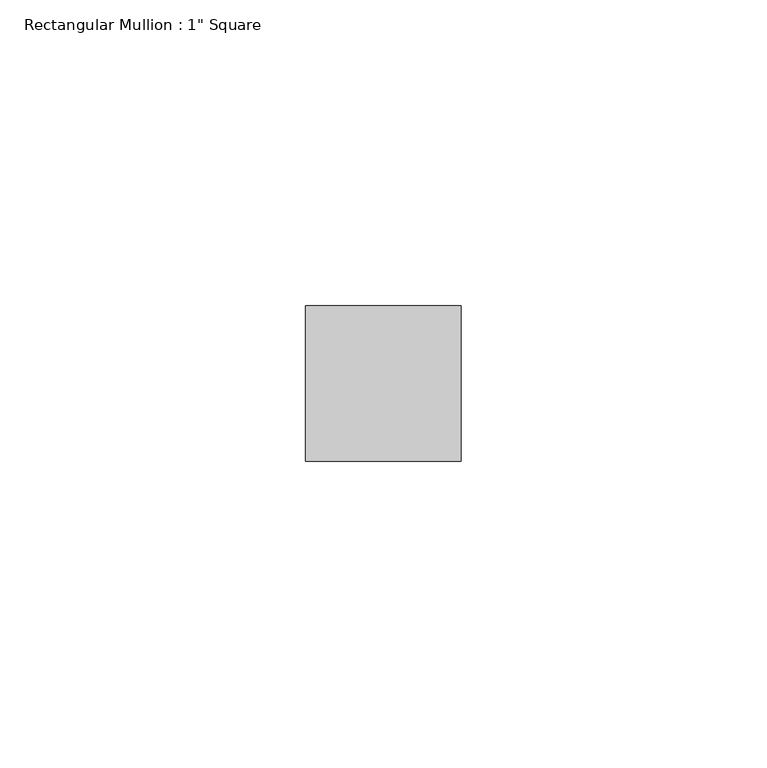
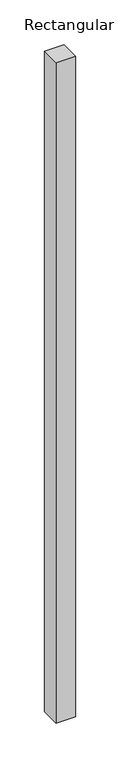
"""IFC4 building model written with IfcOpenShell, lengths in millimetres: member geometry."""

from ifc_helpers import new_model, si_unit, frame, origin, place, context, project, spatial, polyline, outline, extrude, source, transform, mapped, element, save


def member_8c473c21(model_context):
    return source(origin(), model_context, "Body", "SweptSolid", [
        extrude(outline(polyline([(0.0, 12.7), (0.0, -12.7), (-25.4, -12.7), (-25.4, 12.7), (0.0, 12.7)])), frame((0.0, 0.0, -901.7), z_axis=(0.0, 0.0, 1.0), x_axis=(1.0, 0.0, 0.0)), (0.0, 0.0, 1.0), 901.7),
    ])


if __name__ == "__main__":
    model = new_model("IFC4")
    model_context = context("Model", 3, world=origin())
    ifc_project = project(units=[si_unit("LENGTHUNIT", "METRE", prefix="MILLI")], contexts=[model_context])
    site = spatial("IfcSite", under=ifc_project)
    building = spatial("IfcBuilding", under=site)
    placement = place(None, origin())
    member_shape = member_8c473c21(model_context)
    element("IfcMember", 1, ObjectType="Rectangular Mullion : 1\" Square", at=placement, inside=building, context=model_context, shape_type="MappedRepresentation", body=[
        mapped(member_shape, transform((0.0, 0.0, 0.0), x_axis=(1.0, 0.0, 0.0), y_axis=(0.0, 1.0, 0.0), z_axis=(0.0, 0.0, 1.0))),
    ])
    save(model, "model.ifc")
